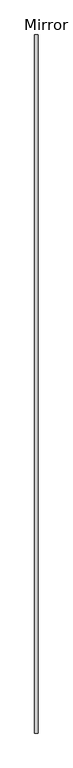
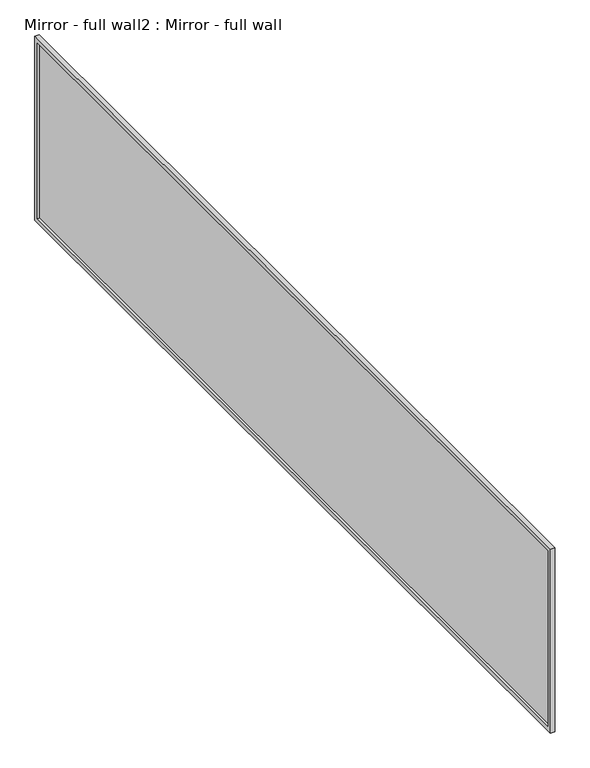
"""IFC4 building model written with IfcOpenShell, lengths in millimetres: proxy geometry, Mirror - full wall2 : Mirror - full wall."""

from ifc_helpers import new_model, si_unit, frame, origin, place, context, project, spatial, polyline, outline, extrude, source, transform, mapped, element, save


def mirror_full_wall2_mirror_full_wall_2d60f342(model_context):
    return source(origin(), model_context, "Body", "SweptSolid", [
        extrude(outline(polyline([(463941.9004676, -271252.8096716), (463941.9004676, -266171.0095059), (463954.6004676, -266171.0095059), (463954.6004676, -271252.8096716), (463941.9004676, -271252.8096716)])), frame((0.0, 0.0, 1041.4), z_axis=(0.0, 0.0, 1.0), x_axis=(1.0, 0.0, 0.0)), (0.0, 0.0, 1.0), 1066.8),
        extrude(outline(polyline([(-266145.6095059, 2133.6), (-266145.6095059, 1016.0), (-271278.8125441, 1016.0), (-271278.8125441, 2133.6), (-266145.6095059, 2133.6)]), holes=[polyline([(-266171.0095059, 2108.2), (-271252.8096716, 2108.2), (-271252.8096716, 1041.4), (-266171.0095059, 1041.4), (-266171.0095059, 2108.2)])]), frame((463929.2004676, 0.0, 0.0), z_axis=(1.0, 0.0, 0.0), x_axis=(0.0, 1.0, 0.0)), (0.0, 0.0, 1.0), 25.4),
    ])


if __name__ == "__main__":
    model = new_model("IFC4")
    model_context = context("Model", 3, world=origin())
    ifc_project = project(units=[si_unit("LENGTHUNIT", "METRE", prefix="MILLI")], contexts=[model_context])
    site = spatial("IfcSite", under=ifc_project)
    building = spatial("IfcBuilding", under=site)
    placement = place(None, origin())
    mirror_full_wall2_mirror_full_wall_shape = mirror_full_wall2_mirror_full_wall_2d60f342(model_context)
    element("IfcBuildingElementProxy", 1, Name="Mirror - full wall2 : Mirror - full wall", ObjectType="Mirror - full wall2 : Mirror - full wall", at=placement, inside=building, context=model_context, shape_type="MappedRepresentation", body=[
        mapped(mirror_full_wall2_mirror_full_wall_shape, transform((0.0, 0.0, 0.0), x_axis=(1.0, 0.0, 0.0), y_axis=(0.0, 1.0, 0.0), z_axis=(0.0, 0.0, 1.0))),
    ])
    save(model, "model.ifc")
